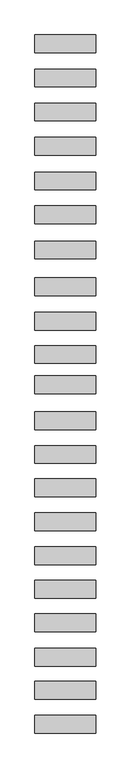
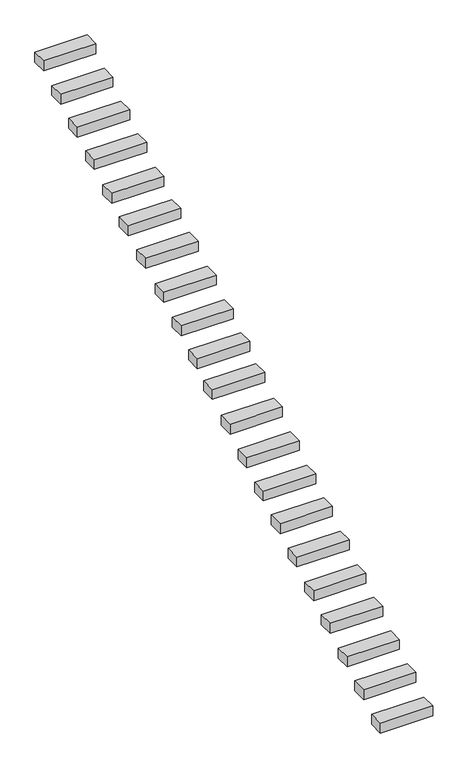
"""IFC4 building model written with IfcOpenShell, lengths in millimetres: proxy geometry."""

import ifcopenshell
import ifcopenshell.guid

model = None  # the IFC model being written
_history = None  # IfcOwnerHistory: only IFC2X3 demands one
_inside = {}  # id of a spatial element -> (the spatial element, [elements in it])
_under = {}  # id of a project, library or spatial element -> (it, [spatial elements below it])
_declared = {}  # id of a project -> (the project, [libraries it declares])
_typed = {}  # id of a type object -> (the type object, [elements of that type])
_made_of = {}  # id of a material, layer set ... -> (it, [elements and type objects made of it])


def new_model(schema):
    """Start an empty IFC model of exactly this schema.

    Asked for "IFC4X3", IfcOpenShell would pick the latest addendum, in which some entities
    have other attributes; the version numbers below select the first issue.
    IFC2X3 requires an IfcOwnerHistory on every rooted entity: one is made here for all.
    """
    global model, _history
    if schema == "IFC4X3":
        model = ifcopenshell.file(schema_version=(4, 3, 0, 0))
    else:
        model = ifcopenshell.file(schema=schema)
    _inside.clear()
    _under.clear()
    _declared.clear()
    _typed.clear()
    _made_of.clear()
    _history = None
    if model.schema == "IFC2X3":
        org = make("IfcOrganization", Name="unknown")
        user = make(
            "IfcPersonAndOrganization",
            ThePerson=make("IfcPerson", FamilyName="unknown"),
            TheOrganization=org,
        )
        app = make(
            "IfcApplication",
            ApplicationDeveloper=org,
            Version="unknown",
            ApplicationFullName="unknown",
            ApplicationIdentifier="unknown",
        )
        _history = make(
            "IfcOwnerHistory",
            OwningUser=user,
            OwningApplication=app,
            ChangeAction="ADDED",
            CreationDate=0,
        )
    return model


def make(cls, **values):
    """One entity of the class cls with the attributes given. An attribute that is None is left unset."""
    return model.create_entity(
        cls, **{name: value for name, value in values.items() if value is not None}
    )


def rooted(cls, **values):
    """An entity with a GlobalId (a new one), such as an element, a storey or a relation."""
    return make(cls, GlobalId=ifcopenshell.guid.new(), OwnerHistory=_history, **values)


def si_unit(unit_type, name, prefix=None):
    """IfcSIUnit, for example si_unit("LENGTHUNIT", "METRE", prefix="MILLI")."""
    return make("IfcSIUnit", UnitType=unit_type, Prefix=prefix, Name=name)


def assignment(units):
    """IfcUnitAssignment: the units of a project."""
    return None if units is None else make("IfcUnitAssignment", Units=units)


def point(xyz):
    """IfcCartesianPoint."""
    return None if xyz is None else make("IfcCartesianPoint", Coordinates=xyz)


def direction(xyz):
    """IfcDirection."""
    return None if xyz is None else make("IfcDirection", DirectionRatios=xyz)


def frame(location, z_axis=None, x_axis=None):
    """IfcAxis2Placement3D, a coordinate frame: its origin and axes. An axis left out is left unset."""
    return make(
        "IfcAxis2Placement3D",
        Location=point(location),
        Axis=direction(z_axis),
        RefDirection=direction(x_axis),
    )


def origin():
    """The frame at (0, 0, 0) with its axes left unset."""
    return frame((0.0, 0.0, 0.0))


def place(relative_to, where):
    """IfcLocalPlacement: puts the frame where relative to a parent placement (None: the world)."""
    return make(
        "IfcLocalPlacement", PlacementRelTo=relative_to, RelativePlacement=where
    )


def context(
    kind, dimensions, precision=None, world=None, true_north=None, identifier=None
):
    """IfcGeometricRepresentationContext, for example the 3D "Model" context."""
    return make(
        "IfcGeometricRepresentationContext",
        ContextIdentifier=identifier,
        ContextType=kind,
        CoordinateSpaceDimension=dimensions,
        Precision=precision,
        WorldCoordinateSystem=world,
        TrueNorth=true_north,
    )


def project(units=None, contexts=None):
    """IfcProject with its units and contexts."""
    return rooted(
        "IfcProject",
        Name="project",
        RepresentationContexts=contexts,
        UnitsInContext=assignment(units),
    )


def spatial(cls, under=None, at=None, **own):
    """A site, building, storey or space (cls), placed at a placement, below another one or the project."""
    s = rooted(cls, ObjectPlacement=at, **own)
    if under is not None:
        _under.setdefault(under.id(), (under, []))[1].append(s)
    return s


def polyline(points):
    """IfcPolyline through the points."""
    return make("IfcPolyline", Points=[point(p) for p in points])


def outline(outer, holes=None, kind="AREA"):
    """IfcArbitraryClosedProfileDef: a profile drawn as a closed curve; with holes, ...WithVoids."""
    if holes is None:
        return make("IfcArbitraryClosedProfileDef", ProfileType=kind, OuterCurve=outer)
    return make(
        "IfcArbitraryProfileDefWithVoids",
        ProfileType=kind,
        OuterCurve=outer,
        InnerCurves=holes,
    )


def extrude(swept, where, along, depth):
    """IfcExtrudedAreaSolid: the profile swept, set in the frame where, extruded along a direction by depth."""
    return make(
        "IfcExtrudedAreaSolid",
        SweptArea=swept,
        Position=where,
        ExtrudedDirection=direction(along),
        Depth=depth,
    )


def shape(context_of_items, identifier, shape_type, items):
    """IfcShapeRepresentation: the items that make up one representation, for example the "Body"."""
    return make(
        "IfcShapeRepresentation",
        ContextOfItems=context_of_items,
        RepresentationIdentifier=identifier,
        RepresentationType=shape_type,
        Items=items,
    )


def source(mapping_origin, context_of_items, identifier, shape_type, items):
    """IfcRepresentationMap: a shape defined once, which mapped items show again and again."""
    return make(
        "IfcRepresentationMap",
        MappingOrigin=mapping_origin,
        MappedRepresentation=shape(context_of_items, identifier, shape_type, items),
    )


def transform(
    local_origin,
    x_axis=None,
    y_axis=None,
    z_axis=None,
    scale=None,
    scale2=None,
    scale3=None,
    uniform=True,
):
    """IfcCartesianTransformationOperator3D, or its non-uniform kind. x_axis, y_axis, z_axis: its Axis1, 2, 3."""
    if uniform:
        return make(
            "IfcCartesianTransformationOperator3D",
            Axis1=direction(x_axis),
            Axis2=direction(y_axis),
            LocalOrigin=point(local_origin),
            Scale=scale,
            Axis3=direction(z_axis),
        )
    return make(
        "IfcCartesianTransformationOperator3DnonUniform",
        Axis1=direction(x_axis),
        Axis2=direction(y_axis),
        LocalOrigin=point(local_origin),
        Scale=scale,
        Axis3=direction(z_axis),
        Scale2=scale2,
        Scale3=scale3,
    )


def mapped(mapping_source, mapping_target):
    """IfcMappedItem: shows the shape of a source again, moved by a transform."""
    return make(
        "IfcMappedItem", MappingSource=mapping_source, MappingTarget=mapping_target
    )


def made_of(thing, what):
    """Note that an element or type object is made of a material, layer set ...; save() writes the relation."""
    if what is not None:
        _made_of.setdefault(what.id(), (what, []))[1].append(thing)
    return thing


def element(
    cls,
    number,
    at=None,
    inside=None,
    cuts=None,
    type_object=None,
    material=None,
    context=None,
    identifier="Body",
    shape_type=None,
    held_by="IfcProductDefinitionShape",
    body=None,
    shapes=None,
    **own,
):
    """One element of the class cls, such as IfcWall. Its Tag is "e" and its number.

    at: its placement. inside: the storey or other place that contains it. cuts: it is an
    opening in that element (IfcRelVoidsElement). A single representation is given by context,
    identifier, shape_type and body (its items); several are given by shapes. held_by: the class
    of the entity that holds the representations. save() writes the other relations.
    """
    e = rooted(cls, Tag="e%d" % number, ObjectPlacement=at, **own)
    if body is not None:
        shapes = [shape(context, identifier, shape_type, body)]
    if shapes is not None:
        e.Representation = make(held_by, Representations=shapes)
    if inside is not None:
        _inside.setdefault(inside.id(), (inside, []))[1].append(e)
    if cuts is not None:
        rooted(
            "IfcRelVoidsElement", RelatingBuildingElement=cuts, RelatedOpeningElement=e
        )
    if type_object is not None:
        _typed.setdefault(type_object.id(), (type_object, []))[1].append(e)
    return made_of(e, material)


def aggregate(whole, parts):
    """IfcRelAggregates: a whole, such as a stair, and the parts it consists of."""
    return rooted("IfcRelAggregates", RelatingObject=whole, RelatedObjects=parts)


def save(model, path):
    """Write the relations noted so far, then the file.

    IfcRelAggregates (storeys below a building ...), IfcRelContainedInSpatialStructure (elements
    in a storey), IfcRelDefinesByType, IfcRelAssociatesMaterial and IfcRelDeclares: one each for
    every whole, place, type object, material and project.
    """
    for whole, parts in _under.values():
        aggregate(whole, parts)
    for where, things in _inside.values():
        rooted(
            "IfcRelContainedInSpatialStructure",
            RelatedElements=things,
            RelatingStructure=where,
        )
    for kind, things in _typed.values():
        rooted("IfcRelDefinesByType", RelatedObjects=things, RelatingType=kind)
    for what, things in _made_of.values():
        rooted("IfcRelAssociatesMaterial", RelatedObjects=things, RelatingMaterial=what)
    for by, libraries in _declared.values():
        rooted("IfcRelDeclares", RelatingContext=by, RelatedDefinitions=libraries)
    model.write(path)


def generic_models_193cae16(model_context):
    return source(origin(), model_context, "Body", "SweptSolid", [
        extrude(outline(polyline([(-600.0, 3244.6782797), (600.0, 3244.6782797), (600.0, 2894.6782797), (-600.0, 2894.6782797), (-600.0, 3244.6782797)])), frame((0.0, 0.0, 1874.7397644), z_axis=(0.0, 0.0, 1.0), x_axis=(1.0, 0.0, 0.0)), (0.0, 0.0, 1.0), 240.0),
        extrude(outline(polyline([(-600.0, 2572.0605818), (600.0, 2572.0605818), (600.0, 2222.0605818), (-600.0, 2222.0605818), (-600.0, 2572.0605818)])), frame((0.0, 0.0, 1472.4873177), z_axis=(0.0, 0.0, 1.0), x_axis=(1.0, 0.0, 0.0)), (0.0, 0.0, 1.0), 240.0),
        extrude(outline(polyline([(-600.0, 1904.4428838), (600.0, 1904.4428838), (600.0, 1554.4428838), (-600.0, 1554.4428838), (-600.0, 1904.4428838)])), frame((0.0, 0.0, 1079.2019698), z_axis=(0.0, 0.0, 1.0), x_axis=(1.0, 0.0, 0.0)), (0.0, 0.0, 1.0), 240.0),
        extrude(outline(polyline([(-600.0, 1229.8417371), (600.0, 1229.8417371), (600.0, 879.8417371), (-600.0, 879.8417371), (-600.0, 1229.8417371)])), frame((0.0, 0.0, 702.0903009), z_axis=(0.0, 0.0, 1.0), x_axis=(1.0, 0.0, 0.0)), (0.0, 0.0, 1.0), 240.0),
        extrude(outline(polyline([(-600.0, 544.2902442), (600.0, 544.2902442), (600.0, 194.2902442), (-600.0, 194.2902442), (-600.0, 544.2902442)])), frame((0.0, 0.0, 296.8214036), z_axis=(0.0, 0.0, 1.0), x_axis=(1.0, 0.0, 0.0)), (0.0, 0.0, 1.0), 240.0),
        extrude(outline(polyline([(-600.0, -118.5506256), (600.0, -118.5506256), (600.0, -468.5506256), (-600.0, -468.5506256), (-600.0, -118.5506256)])), frame((0.0, 0.0, -85.4310431), z_axis=(0.0, 0.0, 1.0), x_axis=(1.0, 0.0, 0.0)), (0.0, 0.0, 1.0), 240.0),
        extrude(outline(polyline([(-600.0, -813.5153595), (600.0, -813.5153595), (600.0, -1163.5153595), (-600.0, -1163.5153595), (-600.0, -813.5153595)])), frame((0.0, 0.0, -458.0946966), z_axis=(0.0, 0.0, 1.0), x_axis=(1.0, 0.0, 0.0)), (0.0, 0.0, 1.0), 240.0),
        extrude(outline(polyline([(-600.0, -1535.669471), (600.0, -1535.669471), (600.0, -1885.669471), (-600.0, -1885.669471), (-600.0, -1535.669471)])), frame((0.0, 0.0, -843.837096), z_axis=(0.0, 0.0, 1.0), x_axis=(1.0, 0.0, 0.0)), (0.0, 0.0, 1.0), 240.0),
        extrude(outline(polyline([(-600.0, -2214.8303597), (600.0, -2214.8303597), (600.0, -2564.8303597), (-600.0, -2564.8303597), (-600.0, -2214.8303597)])), frame((0.0, 0.0, -1247.3080782), z_axis=(0.0, 0.0, 1.0), x_axis=(1.0, 0.0, 0.0)), (0.0, 0.0, 1.0), 240.0),
        extrude(outline(polyline([(-600.0, -2869.4486957), (600.0, -2869.4486957), (600.0, -3219.4486957), (-600.0, -3219.4486957), (-600.0, -2869.4486957)])), frame((0.0, 0.0, -1643.0923828), z_axis=(0.0, 0.0, 1.0), x_axis=(1.0, 0.0, 0.0)), (0.0, 0.0, 1.0), 240.0),
        extrude(outline(polyline([(-600.0, -3462.0244789), (600.0, -3462.0244789), (600.0, -3812.0244789), (-600.0, -3812.0244789), (-600.0, -3462.0244789)])), frame((0.0, 0.0, -2034.6620461), z_axis=(0.0, 0.0, 1.0), x_axis=(1.0, 0.0, 0.0)), (0.0, 0.0, 1.0), 240.0),
        extrude(outline(polyline([(-600.0, -4171.5606009), (600.0, -4171.5606009), (600.0, -4521.5606009), (-600.0, -4521.5606009), (-600.0, -4171.5606009)])), frame((0.0, 0.0, -2444.5112873), z_axis=(0.0, 0.0, 1.0), x_axis=(1.0, 0.0, 0.0)), (0.0, 0.0, 1.0), 240.0),
        extrude(outline(polyline([(-600.0, -4836.1964524), (600.0, -4836.1964524), (600.0, -5186.1964524), (-600.0, -5186.1964524), (-600.0, -4836.1964524)])), frame((0.0, 0.0, -2858.91511), z_axis=(0.0, 0.0, 1.0), x_axis=(1.0, 0.0, 0.0)), (0.0, 0.0, 1.0), 240.0),
        extrude(outline(polyline([(-600.0, -5491.5232806), (600.0, -5491.5232806), (600.0, -5841.5232806), (-600.0, -5841.5232806), (-600.0, -5491.5232806)])), frame((0.0, 0.0, -3267.2567691), z_axis=(0.0, 0.0, 1.0), x_axis=(1.0, 0.0, 0.0)), (0.0, 0.0, 1.0), 240.0),
        extrude(outline(polyline([(-600.0, -6158.0934613), (600.0, -6158.0934613), (600.0, -6508.0934613), (-600.0, -6508.0934613), (-600.0, -6158.0934613)])), frame((0.0, 0.0, -3655.4170773), z_axis=(0.0, 0.0, 1.0), x_axis=(1.0, 0.0, 0.0)), (0.0, 0.0, 1.0), 240.0),
        extrude(outline(polyline([(-600.0, -6826.2698352), (600.0, -6826.2698352), (600.0, -7176.2698352), (-600.0, -7176.2698352), (-600.0, -6826.2698352)])), frame((0.0, 0.0, -4059.8209), z_axis=(0.0, 0.0, 1.0), x_axis=(1.0, 0.0, 0.0)), (0.0, 0.0, 1.0), 240.0),
        extrude(outline(polyline([(-600.0, -7486.415243), (600.0, -7486.415243), (600.0, -7836.415243), (-600.0, -7836.415243), (-600.0, -7486.415243)])), frame((0.0, 0.0, -4477.7998573), z_axis=(0.0, 0.0, 1.0), x_axis=(1.0, 0.0, 0.0)), (0.0, 0.0, 1.0), 240.0),
        extrude(outline(polyline([(-600.0, -8149.7730373), (600.0, -8149.7730373), (600.0, -8499.7730373), (-600.0, -8499.7730373), (-600.0, -8149.7730373)])), frame((0.0, 0.0, -4869.5353), z_axis=(0.0, 0.0, 1.0), x_axis=(1.0, 0.0, 0.0)), (0.0, 0.0, 1.0), 240.0),
        extrude(outline(polyline([(-600.0, -8823.1308315), (600.0, -8823.1308315), (600.0, -9173.1308315), (-600.0, -9173.1308315), (-600.0, -8823.1308315)])), frame((0.0, 0.0, -5271.2707427), z_axis=(0.0, 0.0, 1.0), x_axis=(1.0, 0.0, 0.0)), (0.0, 0.0, 1.0), 240.0),
        extrude(outline(polyline([(-600.0, -9474.8824326), (600.0, -9474.8824326), (600.0, -9824.8824326), (-600.0, -9824.8824326), (-600.0, -9474.8824326)])), frame((0.0, 0.0, -5674.0683491), z_axis=(0.0, 0.0, 1.0), x_axis=(1.0, 0.0, 0.0)), (0.0, 0.0, 1.0), 240.0),
        extrude(outline(polyline([(-600.0, -10143.0588065), (600.0, -10143.0588065), (600.0, -10493.0588065), (-600.0, -10493.0588065), (-600.0, -10143.0588065)])), frame((0.0, 0.0, -6081.0526518), z_axis=(0.0, 0.0, 1.0), x_axis=(1.0, 0.0, 0.0)), (0.0, 0.0, 1.0), 240.0),
    ])


if __name__ == "__main__":
    model = new_model("IFC4")
    model_context = context("Model", 3, world=origin())
    ifc_project = project(units=[si_unit("LENGTHUNIT", "METRE", prefix="MILLI")], contexts=[model_context])
    site = spatial("IfcSite", under=ifc_project)
    building = spatial("IfcBuilding", under=site)
    placement = place(None, origin())
    generic_models_shape = generic_models_193cae16(model_context)
    element("IfcBuildingElementProxy", 1, Name="Generic Models", at=placement, inside=building, context=model_context, shape_type="MappedRepresentation", body=[
        mapped(generic_models_shape, transform((0.0, 0.0, 0.0), x_axis=(1.0, 0.0, 0.0), y_axis=(0.0, 1.0, 0.0), z_axis=(0.0, 0.0, 1.0))),
    ])
    save(model, "model.ifc")
